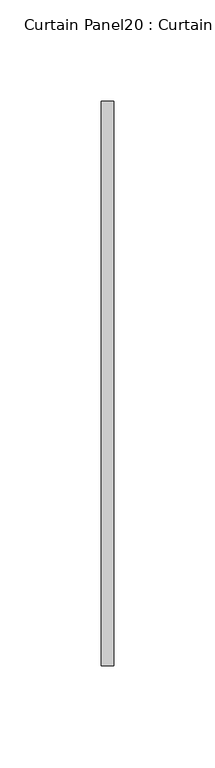
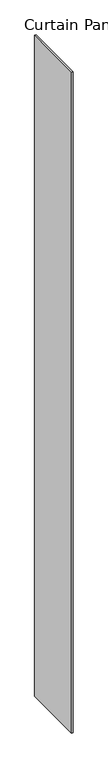
"""IFC4 building model written with IfcOpenShell, lengths in millimetres: plate geometry, Curtain Panel20 : Curtain Panel."""

from ifc_helpers import new_model, si_unit, origin, origin_with_axes, place, context, project, spatial, polyline, outline, extrude, source, transform, mapped, element, save


def curtain_panel20_curtain_panel_d615955a(model_context):
    return source(origin(), model_context, "Body", "SweptSolid", [
        extrude(outline(polyline([(-45361.1487963, 2633.9542918), (-45361.1487963, 2354.5542918), (-45367.4987963, 2354.5542918), (-45367.4987963, 2633.9542918), (-45361.1487963, 2633.9542918)])), origin_with_axes(), (0.0, 0.0, 1.0), 3048.0),
    ])


if __name__ == "__main__":
    model = new_model("IFC4")
    model_context = context("Model", 3, world=origin())
    ifc_project = project(units=[si_unit("LENGTHUNIT", "METRE", prefix="MILLI")], contexts=[model_context])
    site = spatial("IfcSite", under=ifc_project)
    building = spatial("IfcBuilding", under=site)
    placement = place(None, origin())
    curtain_panel20_curtain_panel_shape = curtain_panel20_curtain_panel_d615955a(model_context)
    element("IfcPlate", 1, ObjectType="Curtain Panel20 : Curtain Panel", at=placement, inside=building, context=model_context, shape_type="MappedRepresentation", body=[
        mapped(curtain_panel20_curtain_panel_shape, transform((0.0, 0.0, 0.0), x_axis=(1.0, 0.0, 0.0), y_axis=(0.0, 1.0, 0.0), z_axis=(0.0, 0.0, 1.0))),
    ])
    save(model, "model.ifc")
